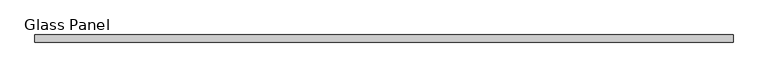
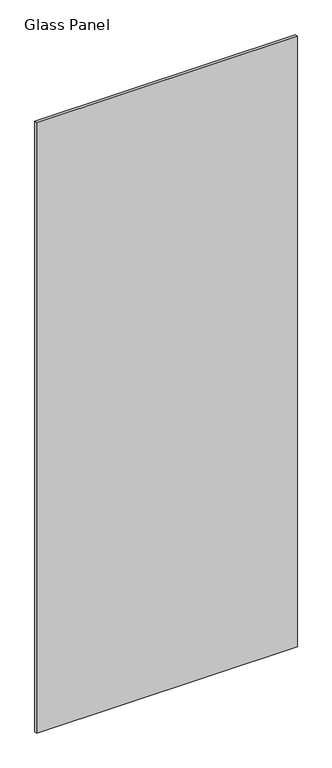
"""IFC4 building model written with IfcOpenShell, lengths in millimetres: proxy geometry, Glass Panel."""

from ifc_helpers import new_model, si_unit, origin, origin_with_axes, place, context, project, spatial, polyline, outline, extrude, source, transform, mapped, element, save


def glass_panel_cc11d131(model_context):
    return source(origin(), model_context, "Body", "SweptSolid", [
        extrude(outline(polyline([(517.9517386, -7.7140625), (-679.49556, -7.7140625), (-679.49556, 4.9859375), (517.9517386, 4.9859375), (517.9517386, -7.7140625)])), origin_with_axes(), (0.0, 0.0, 1.0), 2958.7636),
    ])


if __name__ == "__main__":
    model = new_model("IFC4")
    model_context = context("Model", 3, world=origin())
    ifc_project = project(units=[si_unit("LENGTHUNIT", "METRE", prefix="MILLI")], contexts=[model_context])
    site = spatial("IfcSite", under=ifc_project)
    building = spatial("IfcBuilding", under=site)
    placement = place(None, origin())
    glass_panel_shape = glass_panel_cc11d131(model_context)
    element("IfcBuildingElementProxy", 1, Name="Glass Panel", ObjectType="Glass Panel", at=placement, inside=building, context=model_context, shape_type="MappedRepresentation", body=[
        mapped(glass_panel_shape, transform((0.0, 0.0, 0.0), x_axis=(1.0, 0.0, 0.0), y_axis=(0.0, 1.0, 0.0), z_axis=(0.0, 0.0, 1.0))),
    ])
    save(model, "model.ifc")
